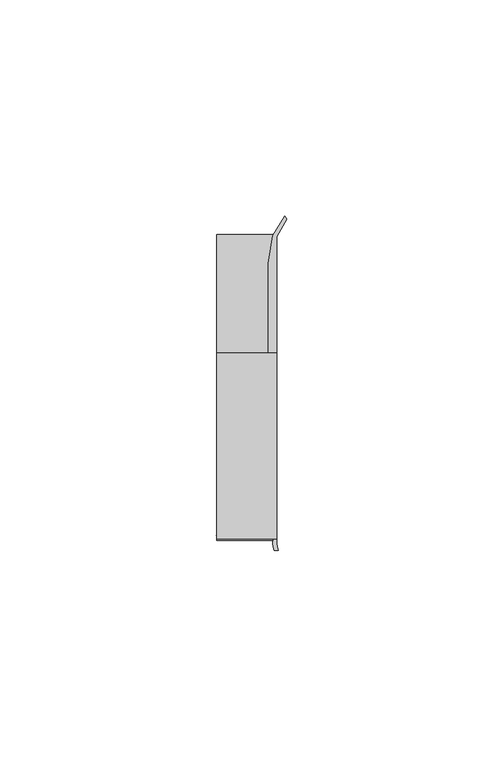
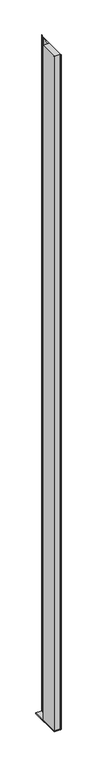
"""IFC4 building model written with IfcOpenShell, lengths in millimetres: furniture geometry."""

from ifc_helpers import new_model, si_unit, point, frame, frame_2d, origin, place, context, project, spatial, polyline, circle_curve, trimmed, segment, composite_curve, outline, extrude, source, transform, mapped, element, save


def furniture_0106be87(model_context):
    return source(origin(), model_context, "Body", "SweptSolid", [
        extrude(outline(polyline([(31.9660873, 18.9594777), (31.9660873, -24.0995273), (18.0754623, -24.0995273), (18.0754623, 18.9594777), (31.9660873, 18.9594777)])), frame((0.0, 0.0, 487.9720024), z_axis=(0.0, 0.0, 1.0), x_axis=(1.0, 0.0, 0.0)), (0.0, 0.0, 1.0), 1614.0456376),
        extrude(outline(polyline([(18.0754623, -24.0995273), (18.0754623, 46.6824219), (31.9660873, 46.6824219), (31.9660873, -24.0995273), (18.0754623, -24.0995273)])), frame((0.0, 0.0, 485.43972), z_axis=(0.0, 0.0, 1.0), x_axis=(1.0, 0.0, 0.0)), (0.0, 0.0, 1.0), 2.5322824),
        extrude(outline(composite_curve([segment(polyline([(33.8779838, 50.6802202), (34.2963358, 49.8958113), (31.9660873, 45.8886719), (31.9660873, -25.0252959)]), True, "CONTINUOUS"), segment(trimmed(circle_curve(frame_2d((36.5370848, -24.9306779)), 4.5719767), [point((31.9660873, -25.0252959))], [point((32.3362111, -26.7350146))], True, "CARTESIAN"), True, "CONTINUOUS"), segment(polyline([(32.3362111, -26.7350146), (31.3598061, -26.7312177)]), True, "CONTINUOUS"), segment(trimmed(circle_curve(frame_2d((38.1067431, -24.7767162)), 7.0243316), [point((31.3598061, -26.7312177))], [point((31.0897622, -25.0979846))], False, "CARTESIAN"), True, "CONTINUOUS"), segment(polyline([(31.0897622, -25.0979846), (31.204088, -24.0995273), (18.7580885, -24.0995273), (17.9586029, -23.2998418), (31.2224462, -23.2998418), (31.2224462, 18.9594777), (29.9783377, 18.9594777), (29.9783377, 39.6814262), (31.1100649, 46.0995711), (33.8779838, 50.6802202)]), True, "CONTINUOUS")], self_intersect=False)), frame((0.0, 0.0, 487.9720024), z_axis=(0.0, 0.0, 1.0), x_axis=(1.0, 0.0, 0.0)), (0.0, 0.0, 1.0), 1614.0456376),
    ])


if __name__ == "__main__":
    model = new_model("IFC4")
    model_context = context("Model", 3, world=origin())
    ifc_project = project(units=[si_unit("LENGTHUNIT", "METRE", prefix="MILLI")], contexts=[model_context])
    site = spatial("IfcSite", under=ifc_project)
    building = spatial("IfcBuilding", under=site)
    placement = place(None, origin())
    furniture_shape = furniture_0106be87(model_context)
    element("IfcFurniture", 1, at=placement, inside=building, context=model_context, shape_type="MappedRepresentation", body=[
        mapped(furniture_shape, transform((0.0, 0.0, 0.0), x_axis=(1.0, 0.0, 0.0), y_axis=(0.0, 1.0, 0.0), z_axis=(0.0, 0.0, 1.0))),
    ])
    save(model, "model.ifc")
